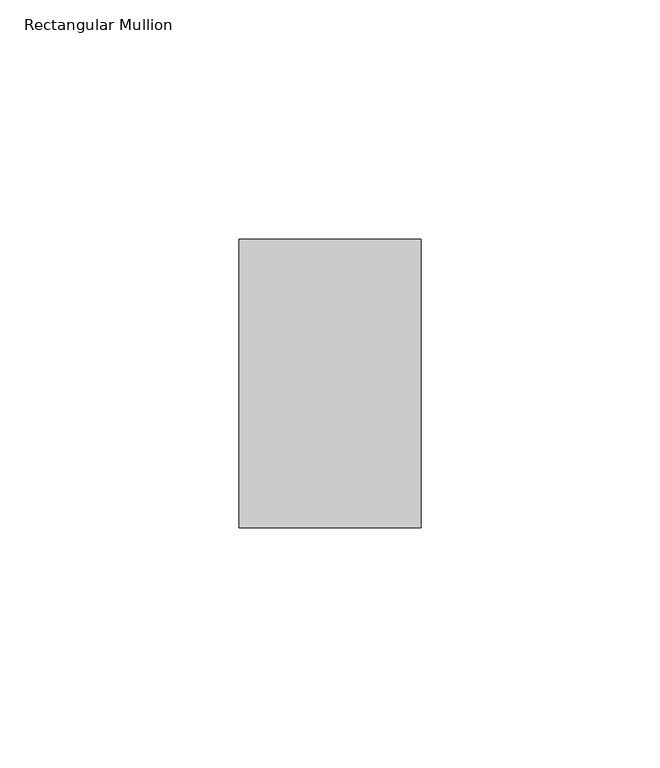
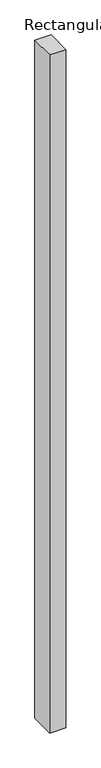
"""IFC4 building model written with IfcOpenShell, lengths in millimetres: member geometry, Rectangular Mullion."""

from ifc_helpers import new_model, si_unit, frame, origin, place, context, project, spatial, polyline, outline, extrude, source, transform, mapped, element, save


def rectangular_mullion_3786be63(model_context):
    return source(origin(), model_context, "Body", "SweptSolid", [
        extrude(outline(polyline([(-38.1, -50.8), (-38.1, 9.525), (0.0, 9.525), (0.0, -50.8), (-38.1, -50.8)])), frame((0.0, 0.0, -1695.45), z_axis=(0.0, 0.0, 1.0), x_axis=(1.0, 0.0, 0.0)), (0.0, 0.0, 1.0), 1695.45),
    ])


if __name__ == "__main__":
    model = new_model("IFC4")
    model_context = context("Model", 3, world=origin())
    ifc_project = project(units=[si_unit("LENGTHUNIT", "METRE", prefix="MILLI")], contexts=[model_context])
    site = spatial("IfcSite", under=ifc_project)
    building = spatial("IfcBuilding", under=site)
    placement = place(None, origin())
    rectangular_mullion_shape = rectangular_mullion_3786be63(model_context)
    element("IfcMember", 1, ObjectType="Rectangular Mullion", at=placement, inside=building, context=model_context, shape_type="MappedRepresentation", body=[
        mapped(rectangular_mullion_shape, transform((0.0, 0.0, 0.0), x_axis=(1.0, 0.0, 0.0), y_axis=(0.0, 1.0, 0.0), z_axis=(0.0, 0.0, 1.0))),
    ])
    save(model, "model.ifc")
